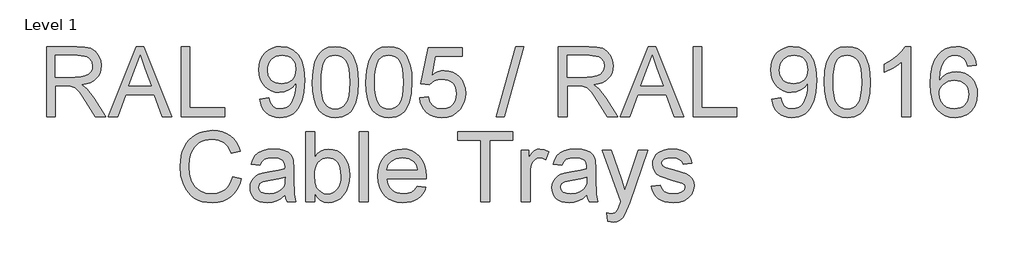
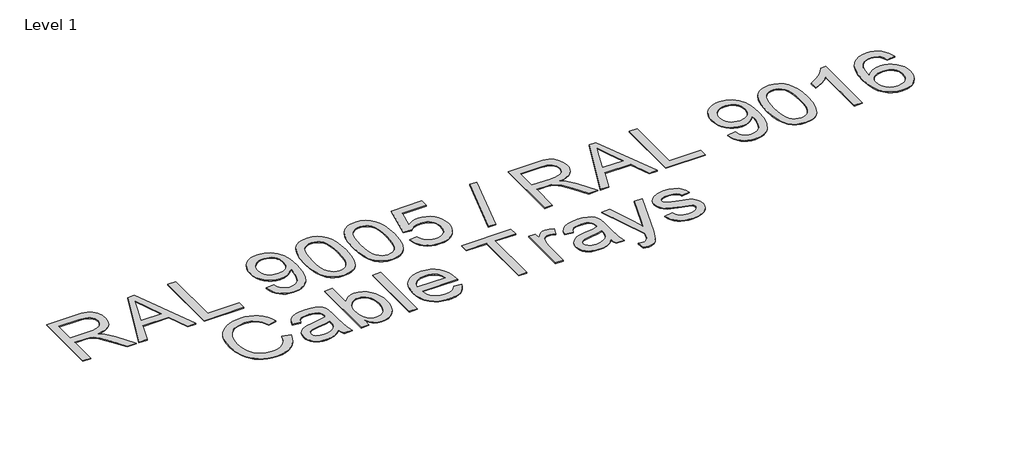
# One storey, part 14 of 15: 1 proxy.
"""IFC4 building model written with IfcOpenShell, lengths in millimetres."""

from ifc_helpers import new_model, si_unit, origin, origin_with_axes, place, context, project, spatial, polyline, outline, extrude, element, save

model = new_model("IFC4")

# Units and contexts
model_context = context("Model", 3, world=origin())
ifc_project = project(units=[si_unit("LENGTHUNIT", "METRE", prefix="MILLI")], contexts=[model_context])

# Site, building, storey
site = spatial("IfcSite", under=ifc_project)
building = spatial("IfcBuilding", under=site)
storey = spatial("IfcBuildingStorey", under=building, Name="Level 1", Elevation=0.0)

# Proxy
placement = place(None, origin())
element("IfcBuildingElementProxy", 1, Name="400mm", ObjectType="400mm", at=placement, inside=storey, context=model_context, shape_type="SweptSolid", body=[
    extrude(outline(polyline([(10937.6467937, -40076.0379724), (10937.6467937, -39674.2127318), (11110.7965861, -39674.2127318), (11157.3336585, -39676.9227958), (11191.1910648, -39685.0529879), (11215.9372603, -39700.0625733), (11235.1407005, -39723.4108173), (11247.4647473, -39752.3631303), (11251.5727629, -39784.1849229), (11249.8713087, -39804.8231028), (11244.766946, -39823.7690256), (11236.2596749, -39841.0226911), (11224.3494953, -39856.5840995), (11208.8831231, -39869.95661), (11189.7072741, -39880.643582), (11166.8219483, -39888.6450154), (11140.2271457, -39893.9609102), (11168.7747886, -39915.4452188), (11209.4870627, -39967.1449018), (11276.4906367, -40076.0379724), (11218.1200268, -40076.0379724), (11165.8317326, -39992.7494887), (11128.0625144, -39937.6162403), (11114.0216849, -39921.5397971), (11101.5259598, -39911.5701951), (11077.6381556, -39902.0052632), (11048.5019016, -39900.2394296), (10987.8749488, -39900.2394296), (10987.8749488, -40076.0379724), (10937.6467937, -40076.0379724)]), holes=[polyline([(10987.8749488, -39850.0112745), (11100.2996865, -39850.0112745), (11132.587463, -39848.2331782), (11157.6402268, -39842.8988893), (11176.5003105, -39833.6527885), (11190.2100461, -39820.1392565), (11198.5609674, -39803.7930332), (11201.3446079, -39786.0488583), (11196.0348444, -39761.5479174), (11180.105554, -39741.804917), (11167.9439884, -39734.2081538), (11152.6983454, -39728.7818944), (11112.9548272, -39724.4408869), (10987.8749488, -39724.4408869), (10987.8749488, -39850.0112745)])]), origin_with_axes(), (0.0, 0.0, 1.0), 5.0),
    extrude(outline(polyline([(11292.6774445, -40076.0379724), (11453.0739944, -39674.2127318), (11495.8464077, -39674.2127318), (11656.2429576, -40076.0379724), (11603.1698485, -40076.0379724), (11557.1600736, -39950.4675847), (11391.6622267, -39950.4675847), (11345.7505537, -40076.0379724), (11292.6774445, -40076.0379724)]), holes=[polyline([(11410.1053774, -39900.2394296), (11538.8150248, -39900.2394296), (11502.6154364, -39801.4508512), (11474.4602011, -39724.4408869), (11449.4442254, -39792.817887), (11410.1053774, -39900.2394296)])]), origin_with_axes(), (0.0, 0.0, 1.0), 5.0),
    extrude(outline(polyline([(11709.904678, -40076.0379724), (11709.904678, -39674.2127318), (11760.1328331, -39674.2127318), (11760.1328331, -40025.8098173), (11961.0454534, -40025.8098173), (11961.0454534, -40076.0379724), (11709.904678, -40076.0379724)])), origin_with_axes(), (0.0, 0.0, 1.0), 5.0),
    extrude(outline(polyline([(12161.9580737, -39975.5816622), (12212.1862287, -39969.3031428), (12220.770142, -39997.8139975), (12234.7496578, -40017.2259041), (12253.7814197, -40028.3727285), (12277.5220711, -40032.0883367), (12298.8224386, -40029.6971037), (12318.1852943, -40022.5234048), (12334.2740002, -40011.3520549), (12345.7519185, -39996.9678689), (12362.1839809, -39953.3125388), (12367.6286344, -39924.9120488), (12369.443519, -39895.0400308), (12369.1492134, -39885.2298442), (12351.748395, -39906.4688981), (12328.9764995, -39923.293368), (12302.4767331, -39934.2562514), (12273.8923021, -39937.9105459), (12250.032089, -39935.6787285), (12228.0909937, -39928.9832762), (12208.0690161, -39917.824189), (12189.9661562, -39902.2014669), (12174.9657679, -39882.9305817), (12164.2512048, -39860.8270052), (12157.8224669, -39835.8907373), (12155.6795543, -39808.121778), (12157.9267001, -39779.4269824), (12164.6681377, -39753.6752427), (12175.903867, -39730.866559), (12191.6338879, -39711.0009313), (12210.7484233, -39694.906094), (12232.1376956, -39683.4097817), (12255.801705, -39676.5119942), (12281.7404513, -39674.2127318), (12319.2031011, -39679.4611816), (12353.3057621, -39695.206531), (12381.8288795, -39720.663965), (12402.5528985, -39755.0486689), (12415.171251, -39802.5790226), (12419.3773684, -39867.4734066), (12415.1835137, -39936.2796024), (12402.6019494, -39989.4630762), (12381.7430403, -40029.4273236), (12368.2509681, -40045.3535483), (12352.7171509, -40058.5758403), (12335.4542883, -40068.9623753), (12316.77508, -40076.3813289), (12275.1676263, -40082.3164918), (12252.6103286, -40080.5659866), (12232.2235347, -40075.3144711), (12214.0072446, -40066.5619453), (12197.9614583, -40054.3084092), (12184.4908459, -40038.8849565), (12174.0000776, -40020.6226812), (12166.4891536, -39999.5215831), (12161.9580737, -39975.5816622)]), holes=[polyline([(12369.1492134, -39806.9445556), (12363.7290853, -39772.9032084), (12356.9539252, -39758.8255907), (12347.4687011, -39746.7100103), (12335.7393968, -39736.9672688), (12322.2319962, -39730.0081677), (12289.8829061, -39724.4408869), (12272.2736213, -39725.940006), (12256.3320682, -39730.4373634), (12242.0582468, -39737.932959), (12229.4521571, -39748.4267929), (12219.1514612, -39761.3057285), (12211.7938213, -39775.9566289), (12207.3792373, -39792.3794943), (12205.9077094, -39810.5743247), (12211.4749902, -39841.6113023), (12218.4340913, -39854.7293611), (12228.1768328, -39866.2471333), (12240.2985445, -39875.6250585), (12254.3945563, -39882.3235765), (12288.50948, -39887.6823908), (12320.6010527, -39882.3235765), (12346.4386315, -39866.2471333), (12356.3745111, -39854.5025006), (12363.4715679, -39840.7038601), (12369.1492134, -39806.9445556)])]), origin_with_axes(), (0.0, 0.0, 1.0), 5.0),
    extrude(outline(polyline([(12463.3270041, -39878.3627136), (12467.0180868, -39814.0446781), (12478.0913349, -39762.7496653), (12496.4363837, -39723.6928601), (12508.2944467, -39708.4594798), (12521.9428687, -39696.0894478), (12537.427635, -39686.5183845), (12554.7947309, -39679.6819108), (12595.1759112, -39674.2127318), (12626.1270497, -39677.4500933), (12653.8408267, -39687.162178), (12677.0173924, -39702.9688411), (12694.3568971, -39724.4899378), (12707.4534961, -39751.5415272), (12717.9013448, -39783.9396682), (12724.7439499, -39825.081138), (12727.0248183, -39878.3627136), (12723.3705238, -39942.3128671), (12712.4076403, -39993.4852527), (12694.1729561, -40032.578846), (12682.3424843, -40047.8582115), (12668.7032593, -40060.292623), (12653.2000989, -40069.9280656), (12635.7778207, -40076.8105246), (12595.1759112, -40082.3164918), (12567.5111852, -40079.9252588), (12542.9857188, -40072.7515599), (12521.5995122, -40060.795395), (12503.3525652, -40044.0567643), (12485.8413822, -40013.7984702), (12473.3333944, -39976.096697), (12465.8286017, -39930.9514448), (12463.3270041, -39878.3627136)]), holes=[polyline([(12513.5551592, -39878.2646118), (12515.0266872, -39921.9291389), (12519.4412711, -39957.2734016), (12526.798911, -39984.2973998), (12537.0996069, -40003.0011336), (12549.5585438, -40015.726785), (12563.3909068, -40024.8165359), (12578.5966959, -40030.2703865), (12595.1759112, -40032.0883367), (12611.7551264, -40030.2642551), (12626.9609156, -40024.7920104), (12640.7932786, -40015.6716027), (12653.2522155, -40002.9030317), (12663.5529114, -39984.1686411), (12670.9105513, -39957.1507743), (12675.3251352, -39921.8494311), (12676.7966632, -39878.2646118), (12675.3741861, -39835.7558472), (12671.106755, -39801.0339183), (12663.9943698, -39774.0988248), (12654.0370304, -39754.950567), (12641.78656, -39741.6025819), (12627.7947814, -39732.0683069), (12612.0616948, -39726.3477419), (12594.5873, -39724.4408869), (12578.0939239, -39726.1208813), (12563.1456521, -39731.1608646), (12549.7424848, -39739.5608369), (12537.8844218, -39751.320798), (12527.2403694, -39772.1674444), (12519.6374748, -39800.2736288), (12515.0757381, -39835.6393513), (12513.5551592, -39878.2646118)])]), origin_with_axes(), (0.0, 0.0, 1.0), 5.0),
    extrude(outline(polyline([(12770.974454, -39878.3627136), (12774.6655366, -39814.0446781), (12785.7387847, -39762.7496653), (12804.0838335, -39723.6928601), (12815.9418965, -39708.4594798), (12829.5903185, -39696.0894478), (12845.0750848, -39686.5183845), (12862.4421807, -39679.6819108), (12902.823361, -39674.2127318), (12933.7744996, -39677.4500933), (12961.4882765, -39687.162178), (12984.6648422, -39702.9688411), (13002.0043469, -39724.4899378), (13015.100946, -39751.5415272), (13025.5487946, -39783.9396682), (13032.3913997, -39825.081138), (13034.6722681, -39878.3627136), (13031.0179736, -39942.3128671), (13020.0550902, -39993.4852527), (13001.8204059, -40032.578846), (12989.9899341, -40047.8582115), (12976.3507091, -40060.292623), (12960.8475487, -40069.9280656), (12943.4252706, -40076.8105246), (12902.823361, -40082.3164918), (12875.158635, -40079.9252588), (12850.6331686, -40072.7515599), (12829.246962, -40060.795395), (12811.000015, -40044.0567643), (12793.4888321, -40013.7984702), (12780.9808442, -39976.096697), (12773.4760515, -39930.9514448), (12770.974454, -39878.3627136)]), holes=[polyline([(12821.202609, -39878.2646118), (12822.674137, -39921.9291389), (12827.088721, -39957.2734016), (12834.4463609, -39984.2973998), (12844.7470567, -40003.0011336), (12857.2059936, -40015.726785), (12871.0383566, -40024.8165359), (12886.2441458, -40030.2703865), (12902.823361, -40032.0883367), (12919.4025763, -40030.2642551), (12934.6083654, -40024.7920104), (12948.4407284, -40015.6716027), (12960.8996653, -40002.9030317), (12971.2003612, -39984.1686411), (12978.5580011, -39957.1507743), (12982.972585, -39921.8494311), (12984.444113, -39878.2646118), (12983.021636, -39835.7558472), (12978.7542048, -39801.0339183), (12971.6418196, -39774.0988248), (12961.6844803, -39754.950567), (12949.4340098, -39741.6025819), (12935.4422313, -39732.0683069), (12919.7091446, -39726.3477419), (12902.2347498, -39724.4408869), (12885.7413737, -39726.1208813), (12870.793102, -39731.1608646), (12857.3899346, -39739.5608369), (12845.5318716, -39751.320798), (12834.8878192, -39772.1674444), (12827.2849247, -39800.2736288), (12822.7231879, -39835.6393513), (12821.202609, -39878.2646118)])]), origin_with_axes(), (0.0, 0.0, 1.0), 5.0),
    extrude(outline(polyline([(13078.6219038, -39969.3031428), (13128.8500589, -39963.0246235), (13138.0716342, -39993.1786843), (13154.1603401, -40014.7733574), (13177.0426002, -40027.7595919), (13206.6448381, -40032.0883367), (13225.7747019, -40030.5830862), (13242.6482227, -40026.0673347), (13257.2654006, -40018.5410822), (13269.6262357, -40008.0043287), (13279.4548163, -39994.9782404), (13286.4752311, -39979.9839834), (13292.0915629, -39944.0909634), (13286.8308503, -39910.2948708), (13280.2549597, -39896.3766687), (13271.0487127, -39884.4450293), (13259.1814527, -39874.873966), (13244.6225227, -39868.0374923), (13207.429653, -39862.5683133), (13183.0636022, -39864.7510798), (13163.3328645, -39871.2993793), (13147.5752524, -39881.3302951), (13135.1285782, -39893.9609102), (13084.9004232, -39887.6823908), (13128.8500589, -39680.4912512), (13323.4841598, -39680.4912512), (13323.4841598, -39730.7194062), (13169.4642311, -39730.7194062), (13147.9799226, -39841.3783104), (13165.7057034, -39828.6741188), (13183.8606799, -39819.5996963), (13202.444852, -39814.1550427), (13221.4582198, -39812.3401582), (13245.9193068, -39814.5903698), (13268.3876996, -39821.3410044), (13288.8633983, -39832.5920621), (13307.3464029, -39848.3435428), (13322.6472282, -39867.6328221), (13333.5763892, -39889.4972754), (13340.1338857, -39913.9369026), (13342.3197179, -39940.9517037), (13340.3515493, -39966.9732235), (13334.4470432, -39991.1798588), (13324.6061999, -40013.5716096), (13310.8290191, -40034.1484759), (13289.9578473, -40055.2219828), (13265.6040592, -40070.2744878), (13237.7676549, -40079.3059908), (13206.4486344, -40082.3164918), (13180.5282821, -40080.3820456), (13157.1156588, -40074.5787071), (13136.2107644, -40064.9064763), (13117.813599, -40051.3653532), (13102.5066423, -40034.6297881), (13090.8723742, -40015.3742314), (13082.9107947, -39993.5986829), (13078.6219038, -39969.3031428)])), origin_with_axes(), (0.0, 0.0, 1.0), 5.0),
    extrude(outline(polyline([(13518.1182607, -40076.0379724), (13631.1316096, -39674.2127318), (13676.4546714, -39674.2127318), (13563.4413225, -40076.0379724), (13518.1182607, -40076.0379724)])), origin_with_axes(), (0.0, 0.0, 1.0), 5.0),
    extrude(outline(polyline([(13875.9938656, -40076.0379724), (13875.9938656, -39674.2127318), (14049.143658, -39674.2127318), (14095.6807304, -39676.9227958), (14129.5381367, -39685.0529879), (14154.2843322, -39700.0625733), (14173.4877724, -39723.4108173), (14185.8118192, -39752.3631303), (14189.9198348, -39784.1849229), (14188.2183806, -39804.8231028), (14183.1140179, -39823.7690256), (14174.6067468, -39841.0226911), (14162.6965672, -39856.5840995), (14147.230195, -39869.95661), (14128.054346, -39880.643582), (14105.1690202, -39888.6450154), (14078.5742176, -39893.9609102), (14107.1218604, -39915.4452188), (14147.8341346, -39967.1449018), (14214.8377086, -40076.0379724), (14156.4670987, -40076.0379724), (14104.1788045, -39992.7494887), (14066.4095863, -39937.6162403), (14052.3687568, -39921.5397971), (14039.8730317, -39911.5701951), (14015.9852275, -39902.0052632), (13986.8489735, -39900.2394296), (13926.2220207, -39900.2394296), (13926.2220207, -40076.0379724), (13875.9938656, -40076.0379724)]), holes=[polyline([(13926.2220207, -39850.0112745), (14038.6467584, -39850.0112745), (14070.9345348, -39848.2331782), (14095.9872987, -39842.8988893), (14114.8473823, -39833.6527885), (14128.557118, -39820.1392565), (14136.9080393, -39803.7930332), (14139.6916797, -39786.0488583), (14134.3819163, -39761.5479174), (14118.4526259, -39741.804917), (14106.2910603, -39734.2081538), (14091.0454172, -39728.7818944), (14051.301899, -39724.4408869), (13926.2220207, -39724.4408869), (13926.2220207, -39850.0112745)])]), origin_with_axes(), (0.0, 0.0, 1.0), 5.0),
    extrude(outline(polyline([(14231.0245164, -40076.0379724), (14391.4210663, -39674.2127318), (14434.1934796, -39674.2127318), (14594.5900295, -40076.0379724), (14541.5169203, -40076.0379724), (14495.5071455, -39950.4675847), (14330.0092986, -39950.4675847), (14284.0976256, -40076.0379724), (14231.0245164, -40076.0379724)]), holes=[polyline([(14348.4524493, -39900.2394296), (14477.1620967, -39900.2394296), (14440.9625083, -39801.4508512), (14412.807273, -39724.4408869), (14387.7912973, -39792.817887), (14348.4524493, -39900.2394296)])]), origin_with_axes(), (0.0, 0.0, 1.0), 5.0),
    extrude(outline(polyline([(14648.2517499, -40076.0379724), (14648.2517499, -39674.2127318), (14698.4799049, -39674.2127318), (14698.4799049, -40025.8098173), (14899.3925252, -40025.8098173), (14899.3925252, -40076.0379724), (14648.2517499, -40076.0379724)])), origin_with_axes(), (0.0, 0.0, 1.0), 5.0),
    extrude(outline(polyline([(15100.3051455, -39975.5816622), (15150.5333006, -39969.3031428), (15159.1172138, -39997.8139975), (15173.0967297, -40017.2259041), (15192.1284915, -40028.3727285), (15215.869143, -40032.0883367), (15237.1695105, -40029.6971037), (15256.5323662, -40022.5234048), (15272.6210721, -40011.3520549), (15284.0989903, -39996.9678689), (15300.5310528, -39953.3125388), (15305.9757063, -39924.9120488), (15307.7905908, -39895.0400308), (15307.4962852, -39885.2298442), (15290.0954669, -39906.4688981), (15267.3235714, -39923.293368), (15240.823805, -39934.2562514), (15212.2393739, -39937.9105459), (15188.3791609, -39935.6787285), (15166.4380655, -39928.9832762), (15146.416088, -39917.824189), (15128.3132281, -39902.2014669), (15113.3128398, -39882.9305817), (15102.5982767, -39860.8270052), (15096.1695388, -39835.8907373), (15094.0266262, -39808.121778), (15096.273772, -39779.4269824), (15103.0152096, -39753.6752427), (15114.2509388, -39730.866559), (15129.9809598, -39711.0009313), (15149.0954952, -39694.906094), (15170.4847675, -39683.4097817), (15194.1487768, -39676.5119942), (15220.0875232, -39674.2127318), (15257.550173, -39679.4611816), (15291.652834, -39695.206531), (15320.1759513, -39720.663965), (15340.8999704, -39755.0486689), (15353.5183228, -39802.5790226), (15357.7244403, -39867.4734066), (15353.5305856, -39936.2796024), (15340.9490213, -39989.4630762), (15320.0901122, -40029.4273236), (15306.59804, -40045.3535483), (15291.0642228, -40058.5758403), (15273.8013602, -40068.9623753), (15255.1221519, -40076.3813289), (15213.5146982, -40082.3164918), (15190.9574005, -40080.5659866), (15170.5706066, -40075.3144711), (15152.3543165, -40066.5619453), (15136.3085301, -40054.3084092), (15122.8379178, -40038.8849565), (15112.3471495, -40020.6226812), (15104.8362255, -39999.5215831), (15100.3051455, -39975.5816622)]), holes=[polyline([(15307.4962852, -39806.9445556), (15302.0761572, -39772.9032084), (15295.3009971, -39758.8255907), (15285.815773, -39746.7100103), (15274.0864687, -39736.9672688), (15260.5790681, -39730.0081677), (15228.229978, -39724.4408869), (15210.6206932, -39725.940006), (15194.67914, -39730.4373634), (15180.4053186, -39737.932959), (15167.7992289, -39748.4267929), (15157.4985331, -39761.3057285), (15150.1408932, -39775.9566289), (15145.7263092, -39792.3794943), (15144.2547812, -39810.5743247), (15149.8220621, -39841.6113023), (15156.7811632, -39854.7293611), (15166.5239047, -39866.2471333), (15178.6456164, -39875.6250585), (15192.7416282, -39882.3235765), (15226.8565519, -39887.6823908), (15258.9481246, -39882.3235765), (15284.7857034, -39866.2471333), (15294.7215829, -39854.5025006), (15301.8186398, -39840.7038601), (15307.4962852, -39806.9445556)])]), origin_with_axes(), (0.0, 0.0, 1.0), 5.0),
    extrude(outline(polyline([(15401.674076, -39878.3627136), (15405.3651587, -39814.0446781), (15416.4384067, -39762.7496653), (15434.7834556, -39723.6928601), (15446.6415185, -39708.4594798), (15460.2899406, -39696.0894478), (15475.7747069, -39686.5183845), (15493.1418027, -39679.6819108), (15533.5229831, -39674.2127318), (15564.4741216, -39677.4500933), (15592.1878986, -39687.162178), (15615.3644643, -39702.9688411), (15632.703969, -39724.4899378), (15645.800568, -39751.5415272), (15656.2484167, -39783.9396682), (15663.0910218, -39825.081138), (15665.3718901, -39878.3627136), (15661.7175957, -39942.3128671), (15650.7547122, -39993.4852527), (15632.520028, -40032.578846), (15620.6895561, -40047.8582115), (15607.0503312, -40060.292623), (15591.5471708, -40069.9280656), (15574.1248926, -40076.8105246), (15533.5229831, -40082.3164918), (15505.858257, -40079.9252588), (15481.3327907, -40072.7515599), (15459.946584, -40060.795395), (15441.6996371, -40044.0567643), (15424.1884541, -40013.7984702), (15411.6804663, -39976.096697), (15404.1756736, -39930.9514448), (15401.674076, -39878.3627136)]), holes=[polyline([(15451.9022311, -39878.2646118), (15453.3737591, -39921.9291389), (15457.788343, -39957.2734016), (15465.1459829, -39984.2973998), (15475.4466788, -40003.0011336), (15487.9056157, -40015.726785), (15501.7379787, -40024.8165359), (15516.9437678, -40030.2703865), (15533.5229831, -40032.0883367), (15550.1021983, -40030.2642551), (15565.3079875, -40024.7920104), (15579.1403505, -40015.6716027), (15591.5992874, -40002.9030317), (15601.8999832, -39984.1686411), (15609.2576231, -39957.1507743), (15613.6722071, -39921.8494311), (15615.1437351, -39878.2646118), (15613.721258, -39835.7558472), (15609.4538269, -39801.0339183), (15602.3414416, -39774.0988248), (15592.3841023, -39754.950567), (15580.1336319, -39741.6025819), (15566.1418533, -39732.0683069), (15550.4087666, -39726.3477419), (15532.9343719, -39724.4408869), (15516.4409958, -39726.1208813), (15501.492724, -39731.1608646), (15488.0895567, -39739.5608369), (15476.2314937, -39751.320798), (15465.5874413, -39772.1674444), (15457.9845467, -39800.2736288), (15453.42281, -39835.6393513), (15451.9022311, -39878.2646118)])]), origin_with_axes(), (0.0, 0.0, 1.0), 5.0),
    extrude(outline(polyline([(15897.6771074, -40076.0379724), (15847.4489523, -40076.0379724), (15847.4489523, -39762.8968181), (15826.4796786, -39779.8561781), (15799.8695476, -39796.7910126), (15746.9926421, -39822.1503448), (15746.9926421, -39774.6690419), (15786.4418548, -39753.2092589), (15820.6180921, -39727.6782484), (15847.5593169, -39700.5285572), (15865.3034918, -39674.2127318), (15897.6771074, -39674.2127318), (15897.6771074, -40076.0379724)])), origin_with_axes(), (0.0, 0.0, 1.0), 5.0),
    extrude(outline(polyline([(16274.3882704, -39780.9475613), (16224.1601153, -39787.2260807), (16216.0667115, -39762.3327324), (16205.1283535, -39745.3365842), (16182.3441952, -39729.6648112), (16154.8020965, -39724.4408869), (16131.4538526, -39727.4820447), (16109.4790347, -39736.6055182), (16090.6066884, -39755.821221), (16075.1924328, -39782.2719365), (16064.7813723, -39819.6855354), (16060.9186114, -39871.7898887), (16081.066282, -39848.2822292), (16105.2116036, -39831.7152766), (16132.0056756, -39821.8928274), (16160.0995973, -39818.6186776), (16184.2326561, -39820.8566264), (16206.5017796, -39827.5704728), (16226.9069676, -39838.7602169), (16245.4482201, -39854.4258585), (16260.8563444, -39873.63543), (16271.8621474, -39895.4569637), (16278.4656292, -39919.8904595), (16280.6667898, -39946.9359175), (16276.521986, -39982.9025139), (16264.0875746, -40016.2448854), (16244.3936251, -40044.5227481), (16218.4702072, -40065.2958181), (16187.4945432, -40078.0613234), (16152.6438555, -40082.3164918), (16122.7013268, -40079.4960631), (16095.6589344, -40071.0347772), (16071.5166785, -40056.9326341), (16050.274559, -40037.1896337), (16032.956514, -40010.9719102), (16020.5864819, -39977.4455977), (16013.1644627, -39936.6106962), (16010.6904563, -39888.4672058), (16013.4373085, -39834.4927857), (16021.6778652, -39788.4278285), (16035.4121264, -39750.2723343), (16054.640092, -39720.0263029), (16075.480607, -39699.9828655), (16099.6443227, -39685.6661246), (16127.1312391, -39677.07608), (16157.9413562, -39674.2127318), (16181.0750023, -39675.9846967), (16202.0136192, -39681.3005916), (16220.7572069, -39690.1604163), (16237.3057653, -39702.5641709), (16251.2117047, -39718.0949224), (16262.0274354, -39736.335738), (16269.7529573, -39757.2866177), (16274.3882704, -39780.9475613)]), holes=[polyline([(16060.9186114, -39946.1511026), (16063.8248791, -39968.4079633), (16072.5436824, -39989.6592799), (16086.0817398, -40007.9307523), (16103.44577, -40021.2480806), (16124.402781, -40029.3782727), (16148.7197809, -40032.0883367), (16181.8659486, -40026.4720049), (16195.7810851, -40019.4515902), (16207.9242566, -40009.6230095), (16217.774297, -39997.3848018), (16224.8100402, -39983.1355059), (16230.4386347, -39948.6036492), (16224.8836166, -39915.4574815), (16217.9398439, -39901.8366506), (16208.2185622, -39890.1839884), (16196.0386025, -39880.8489828), (16181.7187958, -39874.1811216), (16146.6596417, -39868.8468327), (16113.5625249, -39874.1811216), (16085.8855361, -39890.1839884), (16074.9625065, -39901.6833664), (16067.1603425, -39914.8443448), (16062.4790441, -39929.6669235), (16060.9186114, -39946.1511026)])]), origin_with_axes(), (0.0, 0.0, 1.0), 5.0),
    extrude(outline(polyline([(12004.9950891, -40421.1009278), (12055.2232441, -40434.050374), (12045.2842989, -40465.2866211), (12032.0466784, -40492.5803994), (12015.5103828, -40515.9317091), (11995.6754119, -40535.34055), (11972.9893555, -40550.5984558), (11947.8998034, -40561.4969599), (11920.4067556, -40568.0360623), (11890.5102122, -40570.2157631), (11859.8809704, -40568.5664255), (11832.2499669, -40563.6184127), (11807.6172016, -40555.3717246), (11785.9826746, -40543.8263614), (11767.0490146, -40529.1540011), (11750.5188503, -40511.5263222), (11736.3921817, -40490.9433245), (11724.6690087, -40467.4050082), (11708.8868711, -40415.5336469), (11703.6261586, -40359.9834656), (11709.5735842, -40301.3921265), (11717.0078662, -40275.0946952), (11727.415861, -40250.7960895), (11740.5645766, -40228.8979137), (11756.2210212, -40209.8017725), (11774.3851947, -40193.5076658), (11795.0570971, -40180.0155936), (11817.5346871, -40169.4359205), (11841.1159229, -40161.8790112), (11891.5893327, -40155.8334838), (11920.3178508, -40157.7893897), (11946.6612674, -40163.6571075), (11970.6195823, -40173.4366372), (11992.1927956, -40187.1279788), (12011.0252881, -40204.3693817), (12026.7614404, -40224.7990951), (12039.4012527, -40248.4171192), (12048.9447248, -40275.2234539), (11998.7165697, -40287.1918815), (11981.3034886, -40250.5630975), (11957.5137862, -40225.4367573), (11927.053157, -40210.9054185), (11889.6272954, -40206.0616389), (11846.4870001, -40211.432716), (11827.8047261, -40218.1465624), (11811.0477012, -40227.5459474), (11784.1555274, -40252.7090758), (11766.6566071, -40285.2298442), (11757.054887, -40321.9935183), (11753.8543137, -40359.8853638), (11757.6434982, -40406.2875461), (11769.0110519, -40446.411209), (11788.3861703, -40478.7235109), (11816.1980491, -40501.6916102), (11849.5404206, -40515.4136086), (11885.507017, -40519.9876081), (11907.3438791, -40518.430241), (11927.4333017, -40513.7581396), (11945.7752849, -40505.9713041), (11962.3698286, -40495.0697343), (11976.8245253, -40481.1024812), (11988.7469676, -40464.1185957), (11998.1371555, -40444.1180779), (12004.9950891, -40421.1009278)])), origin_with_axes(), (0.0, 0.0, 1.0), 5.0),
    extrude(outline(polyline([(12306.3640195, -40526.2661275), (12282.3658507, -40546.8429937), (12257.6564433, -40560.3074747), (12231.6717118, -40567.738691), (12203.8475702, -40570.2157631), (12181.4834106, -40568.7258411), (12161.8722345, -40564.2560748), (12145.0140421, -40556.8064644), (12130.9088333, -40546.3770099), (12119.7712059, -40533.6298987), (12111.8157577, -40519.2273186), (12107.0424888, -40503.1692695), (12105.4513992, -40485.4557515), (12107.8548949, -40464.6336305), (12115.065382, -40445.724496), (12126.187681, -40429.5376882), (12140.3266124, -40416.8825476), (12156.9426158, -40407.3176157), (12175.4961311, -40400.4014342), (12218.9552575, -40392.8475905), (12270.311584, -40384.9013394), (12306.0697139, -40375.5816622), (12306.3640195, -40364.3980496), (12302.9059288, -40341.9817733), (12292.5316565, -40327.3155445), (12269.3305653, -40316.4262374), (12237.0060007, -40312.7964684), (12207.0849317, -40315.2122268), (12186.1892344, -40322.4595021), (12171.9399385, -40335.8626695), (12161.9580737, -40356.7461041), (12111.7299186, -40350.4675847), (12120.4487219, -40322.9990624), (12133.4594818, -40301.416652), (12151.9762089, -40284.9110132), (12177.2129137, -40272.6728054), (12208.0782131, -40265.0944363), (12243.4807238, -40262.5683133), (12277.436232, -40264.8001307), (12304.3529313, -40271.4955831), (12324.6477547, -40281.563287), (12338.7376351, -40293.9118593), (12348.0818378, -40309.1789621), (12354.139628, -40328.0022575), (12356.5921746, -40371.9518932), (12356.5921746, -40434.4427815), (12359.1428231, -40521.7043907), (12369.1492134, -40563.9372438), (12318.9210583, -40563.9372438), (12310.8767053, -40546.4751117), (12306.3640195, -40526.2661275)]), holes=[polyline([(12306.3640195, -40425.8098173), (12272.6169778, -40434.1730013), (12225.3318787, -40441.2118102), (12182.118007, -40449.354265), (12170.8730807, -40454.9215459), (12162.5466849, -40462.5980168), (12157.3963369, -40471.7950667), (12155.6795543, -40481.9240843), (12159.4196879, -40496.8600933), (12170.6400888, -40509.098301), (12189.0955022, -40517.2652813), (12214.5406735, -40519.9876081), (12241.5186865, -40516.9832384), (12265.3574398, -40507.9701296), (12284.6835073, -40494.6895895), (12298.1234628, -40478.8829265), (12304.0831511, -40462.5980168), (12306.0697139, -40440.0345878), (12306.3640195, -40425.8098173)])]), origin_with_axes(), (0.0, 0.0, 1.0), 5.0),
    extrude(outline(polyline([(12475.8840429, -40563.9372438), (12425.6558878, -40563.9372438), (12425.6558878, -40162.1120032), (12475.8840429, -40162.1120032), (12475.8840429, -40311.1287367), (12492.4019445, -40289.8835515), (12511.0535616, -40274.7084192), (12531.8388944, -40265.6033398), (12554.7579427, -40262.5683133), (12580.6323096, -40265.3029028), (12605.0841996, -40273.5066713), (12626.7156609, -40286.664584), (12644.128742, -40304.2616061), (12657.777164, -40326.1260593), (12668.1146481, -40352.0862655), (12674.6261594, -40381.063104), (12676.7966632, -40411.9774543), (12674.5495173, -40447.6497451), (12667.8080798, -40479.0300793), (12656.5723505, -40506.1184569), (12640.8423295, -40528.9148778), (12621.9607861, -40546.9840151), (12601.2704896, -40559.8905418), (12578.7714399, -40567.6344578), (12554.4636371, -40570.2157631), (12530.7904307, -40566.8864311), (12509.8027628, -40556.8984349), (12491.5006336, -40540.2517746), (12475.8840429, -40516.9464502), (12475.8840429, -40563.9372438)]), holes=[polyline([(12475.8840429, -40414.3318991), (12479.3176082, -40456.2213956), (12489.618304, -40484.5728347), (12501.7890667, -40500.066798), (12515.9341294, -40511.1339147), (12532.0534922, -40517.7741847), (12550.147155, -40519.9876081), (12565.1690031, -40518.3566646), (12579.1362562, -40513.463834), (12592.0489142, -40505.3091165), (12603.9069772, -40493.8925119), (12613.821397, -40479.2446771), (12620.9031254, -40461.396269), (12625.1521624, -40440.3472875), (12626.5685081, -40416.0977326), (12621.1361173, -40370.1370087), (12614.3456288, -40352.3437829), (12604.8389449, -40338.0086478), (12593.4070119, -40326.9783193), (12580.8407761, -40319.0995132), (12567.1402375, -40314.3722296), (12552.305396, -40312.7964684), (12537.2835479, -40314.4274119), (12523.3162948, -40319.3202424), (12510.4036368, -40327.47496), (12498.5455738, -40338.8915646), (12488.631154, -40353.3922466), (12481.5494256, -40370.7991963), (12477.3003886, -40391.1124138), (12475.8840429, -40414.3318991)])]), origin_with_axes(), (0.0, 0.0, 1.0), 5.0),
    extrude(outline(polyline([(12733.3033376, -40563.9372438), (12733.3033376, -40162.1120032), (12783.5314927, -40162.1120032), (12783.5314927, -40563.9372438), (12733.3033376, -40563.9372438)])), origin_with_axes(), (0.0, 0.0, 1.0), 5.0),
    extrude(outline(polyline([(13065.4762538, -40476.0379724), (13114.7233902, -40482.3164918), (13107.1726123, -40502.0410981), (13096.9792153, -40519.4235223), (13084.1431994, -40534.4637646), (13068.6645644, -40547.1618248), (13050.702726, -40557.2479228), (13030.4170997, -40564.4522786), (12982.8744832, -40570.2157631), (12951.7087468, -40567.729494), (12923.9397875, -40560.2706865), (12899.5676054, -40547.8393408), (12878.5922003, -40530.4354567), (12861.7248108, -40508.5434123), (12849.6766755, -40482.6475856), (12842.4477942, -40452.7479764), (12840.0381672, -40418.8445849), (12842.4723197, -40383.7915621), (12849.7747773, -40352.8956059), (12861.94554, -40326.1567162), (12878.9846077, -40303.574893), (12899.9048305, -40285.6345144), (12923.7190584, -40272.8199582), (12950.4272912, -40265.1312245), (12980.0295291, -40262.5683133), (13008.6783395, -40265.1250932), (13034.586429, -40272.7954328), (13057.7537976, -40285.5793321), (13078.1804454, -40303.4767912), (13094.8546968, -40326.0095634), (13106.7648764, -40352.6994021), (13113.9109842, -40383.5463074), (13116.2930201, -40418.5502793), (13115.9987145, -40432.0883367), (12890.2663223, -40432.0883367), (12893.1756557, -40452.1317741), (12898.9606001, -40469.6858766), (12907.6211554, -40484.7506443), (12919.1573216, -40497.3260772), (12932.9314366, -40507.2404969), (12948.3058384, -40514.3222253), (12983.8555018, -40519.9876081), (13010.5882601, -40517.3633832), (13033.1026382, -40509.4907085), (13051.3986361, -40495.8790747), (13065.4762538, -40476.0379724)]), holes=[polyline([(12890.2663223, -40381.8601816), (13066.064865, -40381.8601816), (13059.2713108, -40355.323627), (13045.9539826, -40336.3409161), (13032.2565097, -40326.0402202), (13016.6705758, -40318.6825803), (12999.196181, -40314.2679964), (12979.8333253, -40312.7964684), (12945.9759191, -40317.4930952), (12917.9800992, -40331.5829756), (12898.5191417, -40353.5455307), (12890.2663223, -40381.8601816)])]), origin_with_axes(), (0.0, 0.0, 1.0), 5.0),
    extrude(outline(polyline([(13430.2189893, -40563.9372438), (13430.2189893, -40212.3401582), (13298.3700822, -40212.3401582), (13298.3700822, -40162.1120032), (13612.2960515, -40162.1120032), (13612.2960515, -40212.3401582), (13480.4471444, -40212.3401582), (13480.4471444, -40563.9372438), (13430.2189893, -40563.9372438)])), origin_with_axes(), (0.0, 0.0, 1.0), 5.0),
    extrude(outline(polyline([(13662.5242065, -40563.9372438), (13662.5242065, -40268.8468327), (13706.4738422, -40268.8468327), (13706.4738422, -40312.5021628), (13722.7097009, -40287.1918815), (13737.6702354, -40272.280398), (13752.6798208, -40264.9963345), (13769.0628323, -40262.5683133), (13794.078808, -40266.443337), (13819.4871911, -40278.068408), (13802.7117722, -40323.0971642), (13785.0534364, -40315.3716424), (13767.3951006, -40312.7964684), (13752.397778, -40315.2735405), (13738.9946106, -40322.7047568), (13728.1666172, -40334.5260316), (13720.8948164, -40350.1732791), (13714.7879753, -40378.2304126), (13712.7523616, -40408.8381946), (13712.7523616, -40563.9372438), (13662.5242065, -40563.9372438)])), origin_with_axes(), (0.0, 0.0, 1.0), 5.0),
    extrude(outline(polyline([(14039.2353696, -40526.2661275), (14015.2372008, -40546.8429937), (13990.5277934, -40560.3074747), (13964.5430618, -40567.738691), (13936.7189203, -40570.2157631), (13914.3547606, -40568.7258411), (13894.7435846, -40564.2560748), (13877.8853922, -40556.8064644), (13863.7801834, -40546.3770099), (13852.642556, -40533.6298987), (13844.6871078, -40519.2273186), (13839.9138389, -40503.1692695), (13838.3227493, -40485.4557515), (13840.726245, -40464.6336305), (13847.9367321, -40445.724496), (13859.0590311, -40429.5376882), (13873.1979624, -40416.8825476), (13889.8139659, -40407.3176157), (13908.3674812, -40400.4014342), (13951.8266075, -40392.8475905), (14003.1829341, -40384.9013394), (14038.941064, -40375.5816622), (14039.2353696, -40364.3980496), (14035.7772788, -40341.9817733), (14025.4030066, -40327.3155445), (14002.2019154, -40316.4262374), (13969.8773508, -40312.7964684), (13939.9562818, -40315.2122268), (13919.0605845, -40322.4595021), (13904.8112886, -40335.8626695), (13894.8294238, -40356.7461041), (13844.6012687, -40350.4675847), (13853.320072, -40322.9990624), (13866.3308319, -40301.416652), (13884.8475589, -40284.9110132), (13910.0842638, -40272.6728054), (13940.9495632, -40265.0944363), (13976.3520739, -40262.5683133), (14010.307582, -40264.8001307), (14037.2242814, -40271.4955831), (14057.5191048, -40281.563287), (14071.6089852, -40293.9118593), (14080.9531878, -40309.1789621), (14087.010978, -40328.0022575), (14089.4635247, -40371.9518932), (14089.4635247, -40434.4427815), (14092.0141732, -40521.7043907), (14102.0205634, -40563.9372438), (14051.7924084, -40563.9372438), (14043.7480554, -40546.4751117), (14039.2353696, -40526.2661275)]), holes=[polyline([(14039.2353696, -40425.8098173), (14005.4883279, -40434.1730013), (13958.2032288, -40441.2118102), (13914.9893571, -40449.354265), (13903.7444308, -40454.9215459), (13895.4180349, -40462.5980168), (13890.267687, -40471.7950667), (13888.5509044, -40481.9240843), (13892.291038, -40496.8600933), (13903.5114388, -40509.098301), (13921.9668523, -40517.2652813), (13947.4120236, -40519.9876081), (13974.3900366, -40516.9832384), (13998.2287899, -40507.9701296), (14017.5548573, -40494.6895895), (14030.9948129, -40478.8829265), (14036.9545012, -40462.5980168), (14038.941064, -40440.0345878), (14039.2353696, -40425.8098173)])]), origin_with_axes(), (0.0, 0.0, 1.0), 5.0),
    extrude(outline(polyline([(14158.5272379, -40676.9505927), (14152.2487185, -40628.586373), (14177.7552035, -40633.000957), (14191.1706336, -40631.6152681), (14201.5939568, -40627.4582016), (14216.2111347, -40612.0071578), (14229.9453959, -40575.0227545), (14233.8694705, -40562.8581232), (14127.134641, -40268.8468327), (14180.1096483, -40268.8468327), (14236.7144246, -40432.6769479), (14256.4328995, -40498.208994), (14276.1513745, -40440.3288934), (14334.3257807, -40268.8468327), (14386.9083805, -40268.8468327), (14284.1957274, -40571.0005781), (14257.5120201, -40636.5326241), (14243.8513353, -40657.4528469), (14228.375766, -40671.9473975), (14210.3985992, -40680.4086834), (14189.2331218, -40683.2291121), (14158.5272379, -40676.9505927)])), origin_with_axes(), (0.0, 0.0, 1.0), 5.0),
    extrude(outline(polyline([(14409.6680133, -40476.0379724), (14459.8961683, -40469.759453), (14467.817894, -40491.2437615), (14483.1463104, -40507.0381618), (14505.9795196, -40516.7502465), (14536.4156233, -40519.9876081), (14566.4838451, -40517.0200266), (14587.6247971, -40508.1172824), (14600.1327849, -40495.2168871), (14604.3021142, -40480.2563526), (14600.1082594, -40467.4540592), (14587.5266952, -40457.6929236), (14535.8270121, -40443.3700512), (14460.1904739, -40418.7955339), (14441.0483475, -40406.4469616), (14427.1791962, -40390.1007383), (14418.7546985, -40370.7991963), (14415.9465327, -40349.5846679), (14418.2028756, -40330.1237104), (14424.9719043, -40312.1588063), (14435.6404821, -40296.4011941), (14449.5954725, -40283.5621125), (14481.5276297, -40268.6996799), (14502.4110643, -40264.101155), (14524.7415014, -40262.5683133), (14557.433948, -40265.0331227), (14585.8589635, -40272.4275508), (14608.7166981, -40284.0280964), (14624.7073022, -40299.1112582), (14635.3023036, -40318.7929449), (14641.9732305, -40344.1890653), (14591.7450754, -40350.4675847), (14585.4052424, -40334.6609216), (14572.8604663, -40322.7538077), (14553.98812, -40315.2858032), (14528.665576, -40312.7964684), (14499.8236276, -40315.1754386), (14480.5956619, -40322.3123493), (14469.7799313, -40332.6130452), (14466.1746877, -40344.4833709), (14472.1589015, -40359.1005488), (14490.8963578, -40370.1860596), (14534.1592804, -40380.879163), (14607.8828323, -40404.5217125), (14627.3560525, -40415.8279525), (14642.1203833, -40431.3035218), (14651.4277978, -40450.9974712), (14654.5302693, -40474.9588519), (14650.8882375, -40499.7295729), (14639.9621422, -40523.0287659), (14622.1689164, -40543.0292837), (14597.9254929, -40557.903979), (14568.6420861, -40567.1378171), (14535.7289103, -40570.2157631), (14508.695715, -40568.7319724), (14485.0838223, -40564.2806003), (14464.8932321, -40556.8616467), (14448.1239445, -40546.4751117), (14434.4264715, -40533.1700462), (14423.4513254, -40516.9955012), (14415.1985059, -40497.9514766), (14409.6680133, -40476.0379724)])), origin_with_axes(), (0.0, 0.0, 1.0), 5.0),
])

save(model, "model.ifc")
